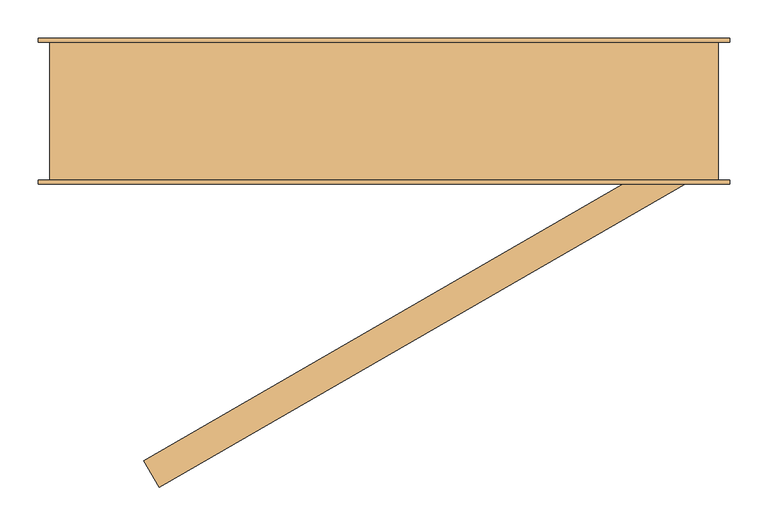
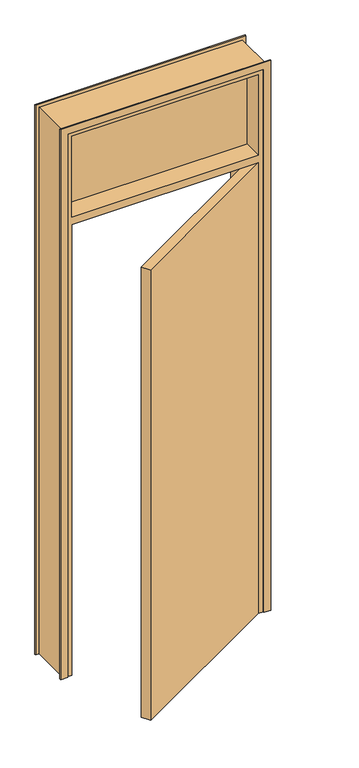
"""IFC4 building model written with IfcOpenShell, lengths in millimetres: door geometry."""

import ifcopenshell
import ifcopenshell.guid

model = None  # the IFC model being written
_history = None  # IfcOwnerHistory: only IFC2X3 demands one
_inside = {}  # id of a spatial element -> (the spatial element, [elements in it])
_under = {}  # id of a project, library or spatial element -> (it, [spatial elements below it])
_declared = {}  # id of a project -> (the project, [libraries it declares])
_typed = {}  # id of a type object -> (the type object, [elements of that type])
_made_of = {}  # id of a material, layer set ... -> (it, [elements and type objects made of it])


def new_model(schema):
    """Start an empty IFC model of exactly this schema.

    Asked for "IFC4X3", IfcOpenShell would pick the latest addendum, in which some entities
    have other attributes; the version numbers below select the first issue.
    IFC2X3 requires an IfcOwnerHistory on every rooted entity: one is made here for all.
    """
    global model, _history
    if schema == "IFC4X3":
        model = ifcopenshell.file(schema_version=(4, 3, 0, 0))
    else:
        model = ifcopenshell.file(schema=schema)
    _inside.clear()
    _under.clear()
    _declared.clear()
    _typed.clear()
    _made_of.clear()
    _history = None
    if model.schema == "IFC2X3":
        org = make("IfcOrganization", Name="unknown")
        user = make(
            "IfcPersonAndOrganization",
            ThePerson=make("IfcPerson", FamilyName="unknown"),
            TheOrganization=org,
        )
        app = make(
            "IfcApplication",
            ApplicationDeveloper=org,
            Version="unknown",
            ApplicationFullName="unknown",
            ApplicationIdentifier="unknown",
        )
        _history = make(
            "IfcOwnerHistory",
            OwningUser=user,
            OwningApplication=app,
            ChangeAction="ADDED",
            CreationDate=0,
        )
    return model


def make(cls, **values):
    """One entity of the class cls with the attributes given. An attribute that is None is left unset."""
    return model.create_entity(
        cls, **{name: value for name, value in values.items() if value is not None}
    )


def rooted(cls, **values):
    """An entity with a GlobalId (a new one), such as an element, a storey or a relation."""
    return make(cls, GlobalId=ifcopenshell.guid.new(), OwnerHistory=_history, **values)


def si_unit(unit_type, name, prefix=None):
    """IfcSIUnit, for example si_unit("LENGTHUNIT", "METRE", prefix="MILLI")."""
    return make("IfcSIUnit", UnitType=unit_type, Prefix=prefix, Name=name)


def assignment(units):
    """IfcUnitAssignment: the units of a project."""
    return None if units is None else make("IfcUnitAssignment", Units=units)


def point(xyz):
    """IfcCartesianPoint."""
    return None if xyz is None else make("IfcCartesianPoint", Coordinates=xyz)


def direction(xyz):
    """IfcDirection."""
    return None if xyz is None else make("IfcDirection", DirectionRatios=xyz)


def frame(location, z_axis=None, x_axis=None):
    """IfcAxis2Placement3D, a coordinate frame: its origin and axes. An axis left out is left unset."""
    return make(
        "IfcAxis2Placement3D",
        Location=point(location),
        Axis=direction(z_axis),
        RefDirection=direction(x_axis),
    )


def origin():
    """The frame at (0, 0, 0) with its axes left unset."""
    return frame((0.0, 0.0, 0.0))


def origin_with_axes():
    """The frame at (0, 0, 0) with the z axis (0, 0, 1) and the x axis (1, 0, 0) written out."""
    return frame((0.0, 0.0, 0.0), z_axis=(0.0, 0.0, 1.0), x_axis=(1.0, 0.0, 0.0))


def place(relative_to, where):
    """IfcLocalPlacement: puts the frame where relative to a parent placement (None: the world)."""
    return make(
        "IfcLocalPlacement", PlacementRelTo=relative_to, RelativePlacement=where
    )


def context(
    kind, dimensions, precision=None, world=None, true_north=None, identifier=None
):
    """IfcGeometricRepresentationContext, for example the 3D "Model" context."""
    return make(
        "IfcGeometricRepresentationContext",
        ContextIdentifier=identifier,
        ContextType=kind,
        CoordinateSpaceDimension=dimensions,
        Precision=precision,
        WorldCoordinateSystem=world,
        TrueNorth=true_north,
    )


def project(units=None, contexts=None):
    """IfcProject with its units and contexts."""
    return rooted(
        "IfcProject",
        Name="project",
        RepresentationContexts=contexts,
        UnitsInContext=assignment(units),
    )


def spatial(cls, under=None, at=None, **own):
    """A site, building, storey or space (cls), placed at a placement, below another one or the project."""
    s = rooted(cls, ObjectPlacement=at, **own)
    if under is not None:
        _under.setdefault(under.id(), (under, []))[1].append(s)
    return s


def polyline(points):
    """IfcPolyline through the points."""
    return make("IfcPolyline", Points=[point(p) for p in points])


def outline(outer, holes=None, kind="AREA"):
    """IfcArbitraryClosedProfileDef: a profile drawn as a closed curve; with holes, ...WithVoids."""
    if holes is None:
        return make("IfcArbitraryClosedProfileDef", ProfileType=kind, OuterCurve=outer)
    return make(
        "IfcArbitraryProfileDefWithVoids",
        ProfileType=kind,
        OuterCurve=outer,
        InnerCurves=holes,
    )


def extrude(swept, where, along, depth):
    """IfcExtrudedAreaSolid: the profile swept, set in the frame where, extruded along a direction by depth."""
    return make(
        "IfcExtrudedAreaSolid",
        SweptArea=swept,
        Position=where,
        ExtrudedDirection=direction(along),
        Depth=depth,
    )


def faces_of(points, faces, orient=None, outer=None):
    """IfcFace entities. A face is a list of loops; a loop is a list of indices into points, from 0.

    orient and outer hold one flag for each loop. By default every Orientation is true, the
    first loop of a face is its IfcFaceOuterBound and the others are IfcFaceBound.
    """
    made = []
    for i, loops in enumerate(faces):
        bounds = []
        for j, loop in enumerate(loops):
            is_outer = j == 0 if outer is None else outer[i][j]
            bounds.append(
                make(
                    "IfcFaceOuterBound" if is_outer else "IfcFaceBound",
                    Bound=make("IfcPolyLoop", Polygon=[points[k] for k in loop]),
                    Orientation=True if orient is None else orient[i][j],
                )
            )
        made.append(make("IfcFace", Bounds=bounds))
    return made


def faceted_brep(points, faces, orient=None, outer=None, voids=None):
    """IfcFacetedBrep: a solid bounded by flat faces; with voids (closed shells), ...WithVoids."""
    shared = [point(p) for p in points]
    hull = make("IfcClosedShell", CfsFaces=faces_of(shared, faces, orient, outer))
    if voids is None:
        return make("IfcFacetedBrep", Outer=hull)
    return make(
        "IfcFacetedBrepWithVoids",
        Outer=hull,
        Voids=[
            make(cls, CfsFaces=faces_of(shared, fs, o, b)) for cls, fs, o, b in voids
        ],
    )


def shape(context_of_items, identifier, shape_type, items):
    """IfcShapeRepresentation: the items that make up one representation, for example the "Body"."""
    return make(
        "IfcShapeRepresentation",
        ContextOfItems=context_of_items,
        RepresentationIdentifier=identifier,
        RepresentationType=shape_type,
        Items=items,
    )


def source(mapping_origin, context_of_items, identifier, shape_type, items):
    """IfcRepresentationMap: a shape defined once, which mapped items show again and again."""
    return make(
        "IfcRepresentationMap",
        MappingOrigin=mapping_origin,
        MappedRepresentation=shape(context_of_items, identifier, shape_type, items),
    )


def transform(
    local_origin,
    x_axis=None,
    y_axis=None,
    z_axis=None,
    scale=None,
    scale2=None,
    scale3=None,
    uniform=True,
):
    """IfcCartesianTransformationOperator3D, or its non-uniform kind. x_axis, y_axis, z_axis: its Axis1, 2, 3."""
    if uniform:
        return make(
            "IfcCartesianTransformationOperator3D",
            Axis1=direction(x_axis),
            Axis2=direction(y_axis),
            LocalOrigin=point(local_origin),
            Scale=scale,
            Axis3=direction(z_axis),
        )
    return make(
        "IfcCartesianTransformationOperator3DnonUniform",
        Axis1=direction(x_axis),
        Axis2=direction(y_axis),
        LocalOrigin=point(local_origin),
        Scale=scale,
        Axis3=direction(z_axis),
        Scale2=scale2,
        Scale3=scale3,
    )


def mapped(mapping_source, mapping_target):
    """IfcMappedItem: shows the shape of a source again, moved by a transform."""
    return make(
        "IfcMappedItem", MappingSource=mapping_source, MappingTarget=mapping_target
    )


def made_of(thing, what):
    """Note that an element or type object is made of a material, layer set ...; save() writes the relation."""
    if what is not None:
        _made_of.setdefault(what.id(), (what, []))[1].append(thing)
    return thing


def element(
    cls,
    number,
    at=None,
    inside=None,
    cuts=None,
    type_object=None,
    material=None,
    context=None,
    identifier="Body",
    shape_type=None,
    held_by="IfcProductDefinitionShape",
    body=None,
    shapes=None,
    **own,
):
    """One element of the class cls, such as IfcWall. Its Tag is "e" and its number.

    at: its placement. inside: the storey or other place that contains it. cuts: it is an
    opening in that element (IfcRelVoidsElement). A single representation is given by context,
    identifier, shape_type and body (its items); several are given by shapes. held_by: the class
    of the entity that holds the representations. save() writes the other relations.
    """
    e = rooted(cls, Tag="e%d" % number, ObjectPlacement=at, **own)
    if body is not None:
        shapes = [shape(context, identifier, shape_type, body)]
    if shapes is not None:
        e.Representation = make(held_by, Representations=shapes)
    if inside is not None:
        _inside.setdefault(inside.id(), (inside, []))[1].append(e)
    if cuts is not None:
        rooted(
            "IfcRelVoidsElement", RelatingBuildingElement=cuts, RelatedOpeningElement=e
        )
    if type_object is not None:
        _typed.setdefault(type_object.id(), (type_object, []))[1].append(e)
    return made_of(e, material)


def aggregate(whole, parts):
    """IfcRelAggregates: a whole, such as a stair, and the parts it consists of."""
    return rooted("IfcRelAggregates", RelatingObject=whole, RelatedObjects=parts)


def save(model, path):
    """Write the relations noted so far, then the file.

    IfcRelAggregates (storeys below a building ...), IfcRelContainedInSpatialStructure (elements
    in a storey), IfcRelDefinesByType, IfcRelAssociatesMaterial and IfcRelDeclares: one each for
    every whole, place, type object, material and project.
    """
    for whole, parts in _under.values():
        aggregate(whole, parts)
    for where, things in _inside.values():
        rooted(
            "IfcRelContainedInSpatialStructure",
            RelatedElements=things,
            RelatingStructure=where,
        )
    for kind, things in _typed.values():
        rooted("IfcRelDefinesByType", RelatedObjects=things, RelatingType=kind)
    for what, things in _made_of.values():
        rooted("IfcRelAssociatesMaterial", RelatedObjects=things, RelatingMaterial=what)
    for by, libraries in _declared.values():
        rooted("IfcRelDeclares", RelatingContext=by, RelatedDefinitions=libraries)
    model.write(path)


def door_13f5a3b0(model_context):
    return source(origin(), model_context, "Body", "SolidModel", [
        extrude(outline(polyline([(-347.820323, -455.3589838), (345.0, -55.3589838), (365.0, -90.0), (-327.820323, -490.0), (-347.820323, -455.3589838)])), origin_with_axes(), (0.0, 0.0, 1.0), 2040.0),
        extrude(outline(polyline([(0.0, -485.0), (0.0, -455.0), (2460.0, -455.0), (2460.0, 385.0), (0.0, 385.0), (0.0, 415.0), (2490.0, 415.0), (2490.0, -485.0), (0.0, -485.0)])), frame((0.0, -95.0, 0.0), z_axis=(0.0, 1.0, 0.0), x_axis=(0.0, 0.0, 1.0)), (0.0, 0.0, 1.0), 5.0),
        extrude(outline(polyline([(0.0, -485.0), (0.0, -455.0), (2460.0, -455.0), (2460.0, 385.0), (0.0, 385.0), (0.0, 415.0), (2490.0, 415.0), (2490.0, -485.0), (0.0, -485.0)])), frame((0.0, 90.0, 0.0), z_axis=(0.0, 1.0, 0.0), x_axis=(0.0, 0.0, 1.0)), (0.0, 0.0, 1.0), 5.0),
        extrude(outline(polyline([(365.0, -6.0), (-435.0, -6.0), (-435.0, 6.0), (365.0, 6.0), (365.0, -6.0)])), frame((0.0, 0.0, 2075.0), z_axis=(0.0, 0.0, 1.0), x_axis=(1.0, 0.0, 0.0)), (0.0, 0.0, 1.0), 365.0),
        faceted_brep([(-470.0, -90.0, 0.0), (-470.0, 90.0, 0.0), (-420.0, 90.0, 0.0), (-420.0, -50.0, 0.0), (-435.0, -50.0, 0.0), (-435.0, -90.0, 0.0), (-470.0, -90.0, 2475.0), (-470.0, 90.0, 2475.0), (400.0, 90.0, 2475.0), (400.0, 90.0, 0.0), (350.0, 90.0, 0.0), (350.0, 90.0, 2025.0), (-420.0, 90.0, 2025.0), (-435.0, 90.0, 2075.0), (365.0, 90.0, 2075.0), (365.0, 90.0, 2440.0), (-435.0, 90.0, 2440.0), (-420.0, -50.0, 2025.0), (350.0, -50.0, 2025.0), (350.0, -50.0, 0.0), (365.0, -50.0, 0.0), (365.0, -50.0, 2040.0), (-435.0, -50.0, 2040.0), (-435.0, -90.0, 2040.0), (365.0, -90.0, 2040.0), (365.0, -90.0, 0.0), (400.0, -90.0, 0.0), (400.0, -90.0, 2475.0), (365.0, -90.0, 2075.0), (-435.0, -90.0, 2075.0), (-435.0, -90.0, 2440.0), (365.0, -90.0, 2440.0)], [[[0, 1, 2, 3, 4, 5]], [[1, 0, 6, 7]], [[2, 1, 7, 8, 9, 10, 11, 12], [13, 14, 15, 16]], [[3, 2, 12, 17]], [[4, 3, 17, 18, 19, 20, 21, 22]], [[5, 4, 22, 23]], [[6, 0, 5, 23, 24, 25, 26, 27], [28, 29, 30, 31]], [[9, 8, 27, 26]], [[10, 9, 26, 25, 20, 19]], [[11, 10, 19, 18]], [[21, 20, 25, 24]], [[6, 27, 8, 7]], [[28, 31, 15, 14]], [[31, 30, 16, 15]], [[30, 29, 13, 16]], [[14, 13, 29, 28]], [[12, 11, 18, 17]], [[22, 21, 24, 23]]]),
    ])


if __name__ == "__main__":
    model = new_model("IFC4")
    model_context = context("Model", 3, world=origin())
    ifc_project = project(units=[si_unit("LENGTHUNIT", "METRE", prefix="MILLI")], contexts=[model_context])
    site = spatial("IfcSite", under=ifc_project)
    building = spatial("IfcBuilding", under=site)
    placement = place(None, origin())
    door_shape = door_13f5a3b0(model_context)
    element("IfcDoor", 1, at=placement, inside=building, context=model_context, shape_type="MappedRepresentation", body=[
        mapped(door_shape, transform((0.0, 0.0, 0.0), x_axis=(1.0, 0.0, 0.0), y_axis=(0.0, 1.0, 0.0), z_axis=(0.0, 0.0, 1.0))),
    ])
    save(model, "model.ifc")
